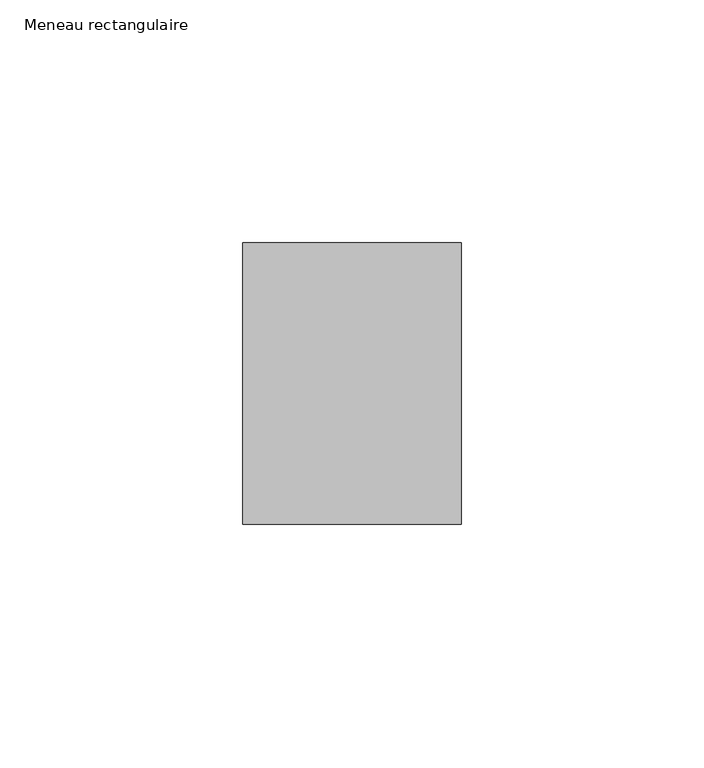
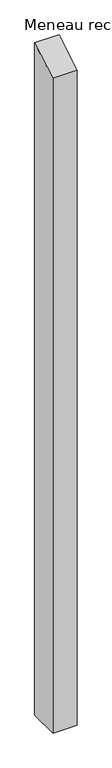
"""IFC4 building model written with IfcOpenShell, lengths in millimetres: member geometry, Meneau rectangulaire."""

from ifc_helpers import new_model, si_unit, frame, origin, place, context, project, spatial, polyline, outline, extrude, source, transform, mapped, element, save


def meneau_rectangulaire_73b0ca00(model_context):
    return source(origin(), model_context, "Body", "SweptSolid", [
        extrude(outline(polyline([(-29.0, -16.7431578), (29.0, 16.7431578), (29.0, -1294.8750002), (-29.0, -1294.8750002), (-29.0, -16.7431578)])), frame((-45.0, 0.0, 0.0), z_axis=(1.0, 0.0, 0.0), x_axis=(0.0, 1.0, 0.0)), (0.0, 0.0, 1.0), 45.0),
    ])


if __name__ == "__main__":
    model = new_model("IFC4")
    model_context = context("Model", 3, world=origin())
    ifc_project = project(units=[si_unit("LENGTHUNIT", "METRE", prefix="MILLI")], contexts=[model_context])
    site = spatial("IfcSite", under=ifc_project)
    building = spatial("IfcBuilding", under=site)
    placement = place(None, origin())
    meneau_rectangulaire_shape = meneau_rectangulaire_73b0ca00(model_context)
    element("IfcMember", 1, ObjectType="Meneau rectangulaire", at=placement, inside=building, context=model_context, shape_type="MappedRepresentation", body=[
        mapped(meneau_rectangulaire_shape, transform((0.0, 0.0, 0.0), x_axis=(1.0, 0.0, 0.0), y_axis=(0.0, 1.0, 0.0), z_axis=(0.0, 0.0, 1.0))),
    ])
    save(model, "model.ifc")
